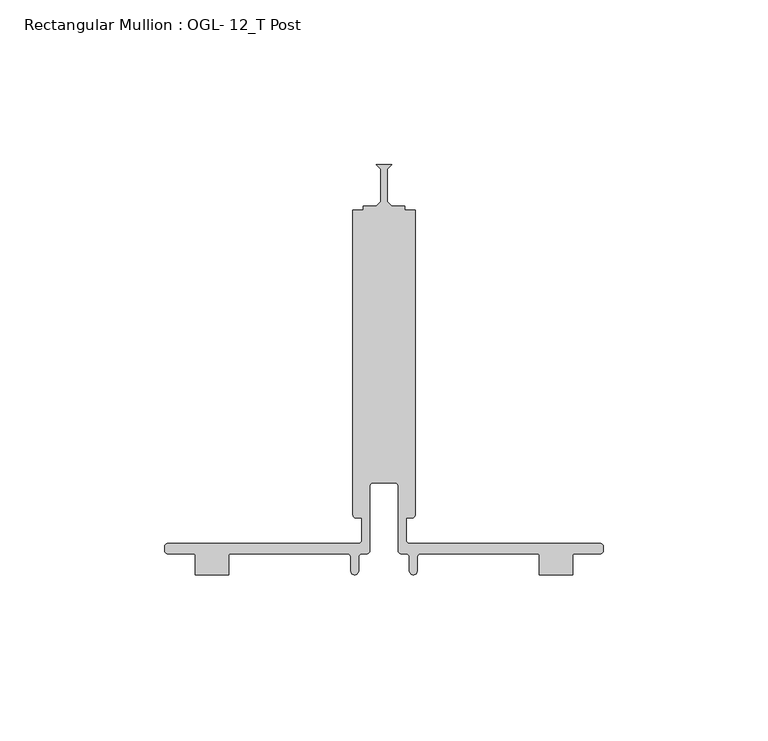
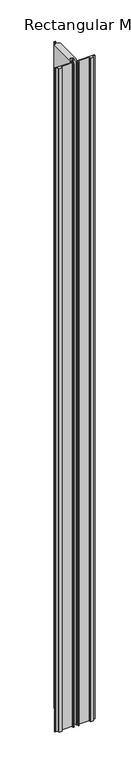
"""IFC4 building model written with IfcOpenShell, lengths in millimetres: member geometry, Rectangular Mullion : OGL- 12_T Post."""

from ifc_helpers import new_model, si_unit, point, frame, frame_2d, origin, place, context, project, spatial, polyline, circle_curve, trimmed, segment, composite_curve, outline, extrude, source, transform, mapped, element, save


def rectangular_mullion_ogl_12_t_post_e970f6af(model_context):
    return source(origin(), model_context, "Body", "SweptSolid", [
        extrude(outline(composite_curve([segment(polyline([(-65.672665, -101.3744186), (-7.7151426, -101.3744186)]), True, "CONTINUOUS"), segment(trimmed(circle_curve(frame_2d((-7.7151426, -100.3584186)), 1.016), [point((-7.7151426, -101.3744186))], [point((-6.6991426, -100.3584186))], True, "CARTESIAN"), True, "CONTINUOUS"), segment(polyline([(-6.6991426, -100.3584186), (-6.6991426, -93.627199), (-8.4584503, -93.627199)]), True, "CONTINUOUS"), segment(trimmed(circle_curve(frame_2d((-8.4584503, -92.6498263)), 0.9773726), [point((-8.4584503, -93.627199))], [point((-9.4358229, -92.6498263))], False, "CARTESIAN"), True, "CONTINUOUS"), segment(polyline([(-9.4358229, -92.6498263), (-9.4358229, 0.0), (-6.3501658, 0.0), (-6.3501658, 1.1441035), (-2.3814158, 1.1441035), (-1.0161658, 2.5964971), (-1.0161658, 12.3917098), (-2.3814158, 13.8441035), (2.3810842, 13.8441035), (1.0158342, 12.3917098), (1.0158342, 2.5964971), (2.3810842, 1.1441035), (6.3498342, 1.1441035), (6.3498342, 0.0), (9.4354913, 0.0), (9.4354913, -92.6243695)]), True, "CONTINUOUS"), segment(trimmed(circle_curve(frame_2d((8.4584503, -92.6498263)), 0.9773726), [point((9.4354913, -92.6243695))], [point((8.4584503, -93.627199))], False, "CARTESIAN"), True, "CONTINUOUS"), segment(polyline([(8.4584503, -93.627199), (6.6991426, -93.627199), (6.6991426, -100.3584186)]), True, "CONTINUOUS"), segment(trimmed(circle_curve(frame_2d((7.7151426, -100.3584186)), 1.016), [point((6.6991426, -100.3584186))], [point((7.7151426, -101.3744186))], True, "CARTESIAN"), True, "CONTINUOUS"), segment(polyline([(7.7151426, -101.3744186), (65.672665, -101.3744186)]), True, "CONTINUOUS"), segment(trimmed(circle_curve(frame_2d((65.672665, -102.3767536)), 1.002335), [point((65.672665, -101.3744186))], [point((66.675, -102.3767536))], False, "CARTESIAN"), True, "CONTINUOUS"), segment(polyline([(66.675, -102.3767536), (66.675, -103.5392963)]), True, "CONTINUOUS"), segment(trimmed(circle_curve(frame_2d((65.6648778, -103.5392963)), 1.0101222), [point((66.675, -103.5392963))], [point((65.6648778, -104.5494186))], False, "CARTESIAN"), True, "CONTINUOUS"), segment(polyline([(65.6648778, -104.5494186), (57.8154834, -104.5494186)]), True, "CONTINUOUS"), segment(trimmed(circle_curve(frame_2d((57.8154834, -105.0903035)), 0.5408849), [point((57.8154834, -104.5494186))], [point((57.2745985, -105.0903035))], True, "CARTESIAN"), True, "CONTINUOUS"), segment(polyline([(57.2745985, -105.0903035), (57.2745985, -110.8875381), (47.2119458, -110.8875381), (47.2119458, -105.0574186)]), True, "CONTINUOUS"), segment(trimmed(circle_curve(frame_2d((46.7039458, -105.0574186)), 0.508), [point((47.2119458, -105.0574186))], [point((46.7039458, -104.5494186))], True, "CARTESIAN"), True, "CONTINUOUS"), segment(polyline([(46.7039458, -104.5494186), (11.1449622, -104.5494186)]), True, "CONTINUOUS"), segment(trimmed(circle_curve(frame_2d((11.1449622, -105.5654186)), 1.016), [point((11.1449622, -104.5494186))], [point((10.1289622, -105.5654186))], True, "CARTESIAN"), True, "CONTINUOUS"), segment(polyline([(10.1289622, -105.5654186), (10.1289622, -109.6962686)]), True, "CONTINUOUS"), segment(trimmed(circle_curve(frame_2d((8.9220524, -109.6962686)), 1.2069098), [point((10.1289622, -109.6962686))], [point((7.7151426, -109.6962686))], False, "CARTESIAN"), True, "CONTINUOUS"), segment(polyline([(7.7151426, -109.6962686), (7.7151426, -105.5654186)]), True, "CONTINUOUS"), segment(trimmed(circle_curve(frame_2d((6.6991426, -105.5654186)), 1.016), [point((7.7151426, -105.5654186))], [point((6.6991426, -104.5494186))], True, "CARTESIAN"), True, "CONTINUOUS"), segment(polyline([(6.6991426, -104.5494186), (5.301323, -104.5494186)]), True, "CONTINUOUS"), segment(trimmed(circle_curve(frame_2d((5.301323, -103.5334186)), 1.016), [point((5.301323, -104.5494186))], [point((4.285323, -103.5334186))], False, "CARTESIAN"), True, "CONTINUOUS"), segment(polyline([(4.285323, -103.5334186), (4.285323, -83.9556449)]), True, "CONTINUOUS"), segment(trimmed(circle_curve(frame_2d((3.269323, -83.9556449)), 1.016), [point((4.285323, -83.9556449))], [point((3.269323, -82.9396449))], True, "CARTESIAN"), True, "CONTINUOUS"), segment(polyline([(3.269323, -82.9396449), (-3.269323, -82.9396449)]), True, "CONTINUOUS"), segment(trimmed(circle_curve(frame_2d((-3.269323, -83.9556449)), 1.016), [point((-3.269323, -82.9396449))], [point((-4.285323, -83.9556449))], True, "CARTESIAN"), True, "CONTINUOUS"), segment(polyline([(-4.285323, -83.9556449), (-4.285323, -103.5334186)]), True, "CONTINUOUS"), segment(trimmed(circle_curve(frame_2d((-5.301323, -103.5334186)), 1.016), [point((-4.285323, -103.5334186))], [point((-5.301323, -104.5494186))], False, "CARTESIAN"), True, "CONTINUOUS"), segment(polyline([(-5.301323, -104.5494186), (-6.6991426, -104.5494186)]), True, "CONTINUOUS"), segment(trimmed(circle_curve(frame_2d((-6.6991426, -105.5654186)), 1.016), [point((-6.6991426, -104.5494186))], [point((-7.7151426, -105.5654186))], True, "CARTESIAN"), True, "CONTINUOUS"), segment(polyline([(-7.7151426, -105.5654186), (-7.7151426, -109.6962686)]), True, "CONTINUOUS"), segment(trimmed(circle_curve(frame_2d((-8.9220524, -109.6962686)), 1.2069098), [point((-7.7151426, -109.6962686))], [point((-10.1289622, -109.6962686))], False, "CARTESIAN"), True, "CONTINUOUS"), segment(polyline([(-10.1289622, -109.6962686), (-10.1289622, -105.5654186)]), True, "CONTINUOUS"), segment(trimmed(circle_curve(frame_2d((-11.1449622, -105.5654186)), 1.016), [point((-10.1289622, -105.5654186))], [point((-11.1449622, -104.5494186))], True, "CARTESIAN"), True, "CONTINUOUS"), segment(polyline([(-11.1449622, -104.5494186), (-46.7039458, -104.5494186)]), True, "CONTINUOUS"), segment(trimmed(circle_curve(frame_2d((-46.7039458, -105.0574186)), 0.508), [point((-46.7039458, -104.5494186))], [point((-47.2119458, -105.0574186))], True, "CARTESIAN"), True, "CONTINUOUS"), segment(polyline([(-47.2119458, -105.0574186), (-47.2119458, -110.8877039), (-57.2745985, -110.8877039), (-57.2745985, -105.0903035)]), True, "CONTINUOUS"), segment(trimmed(circle_curve(frame_2d((-57.8154834, -105.0903035)), 0.5408849), [point((-57.2745985, -105.0903035))], [point((-57.8154834, -104.5494186))], True, "CARTESIAN"), True, "CONTINUOUS"), segment(polyline([(-57.8154834, -104.5494186), (-65.6648778, -104.5494186)]), True, "CONTINUOUS"), segment(trimmed(circle_curve(frame_2d((-65.6648778, -103.5392963)), 1.0101222), [point((-65.6648778, -104.5494186))], [point((-66.675, -103.5392963))], False, "CARTESIAN"), True, "CONTINUOUS"), segment(polyline([(-66.675, -103.5392963), (-66.675, -102.3767536)]), True, "CONTINUOUS"), segment(trimmed(circle_curve(frame_2d((-65.672665, -102.3767536)), 1.002335), [point((-66.675, -102.3767536))], [point((-65.672665, -101.3744186))], False, "CARTESIAN"), True, "CONTINUOUS")], self_intersect=False)), frame((0.0, 0.0, -2339.9738578), z_axis=(0.0, 0.0, 1.0), x_axis=(1.0, 0.0, 0.0)), (0.0, 0.0, 1.0), 2339.9738578),
    ])


if __name__ == "__main__":
    model = new_model("IFC4")
    model_context = context("Model", 3, world=origin())
    ifc_project = project(units=[si_unit("LENGTHUNIT", "METRE", prefix="MILLI")], contexts=[model_context])
    site = spatial("IfcSite", under=ifc_project)
    building = spatial("IfcBuilding", under=site)
    placement = place(None, origin())
    rectangular_mullion_ogl_12_t_post_shape = rectangular_mullion_ogl_12_t_post_e970f6af(model_context)
    element("IfcMember", 1, ObjectType="Rectangular Mullion : OGL- 12_T Post", at=placement, inside=building, context=model_context, shape_type="MappedRepresentation", body=[
        mapped(rectangular_mullion_ogl_12_t_post_shape, transform((0.0, 0.0, 0.0), x_axis=(1.0, 0.0, 0.0), y_axis=(0.0, 1.0, 0.0), z_axis=(0.0, 0.0, 1.0))),
    ])
    save(model, "model.ifc")
